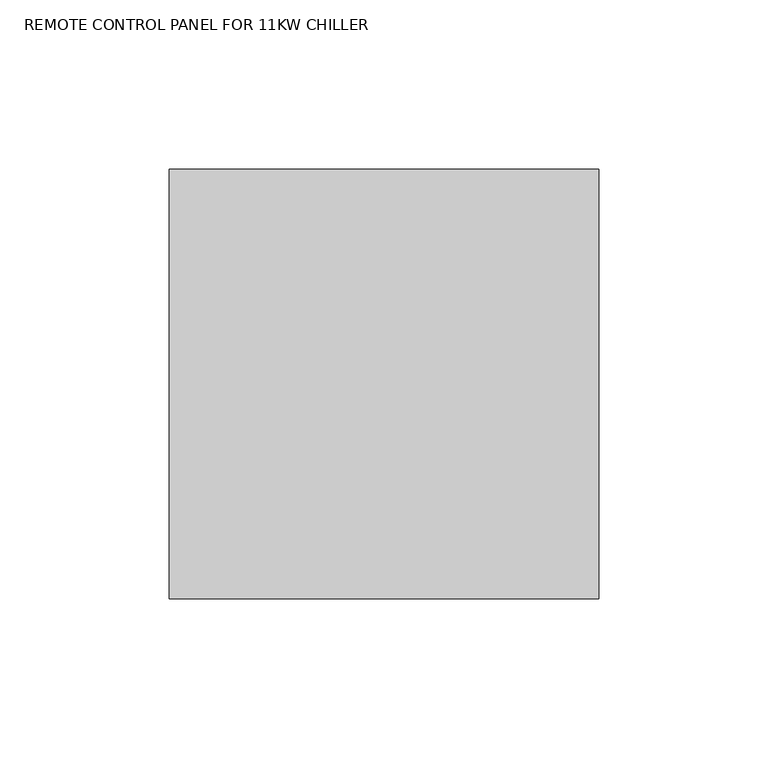
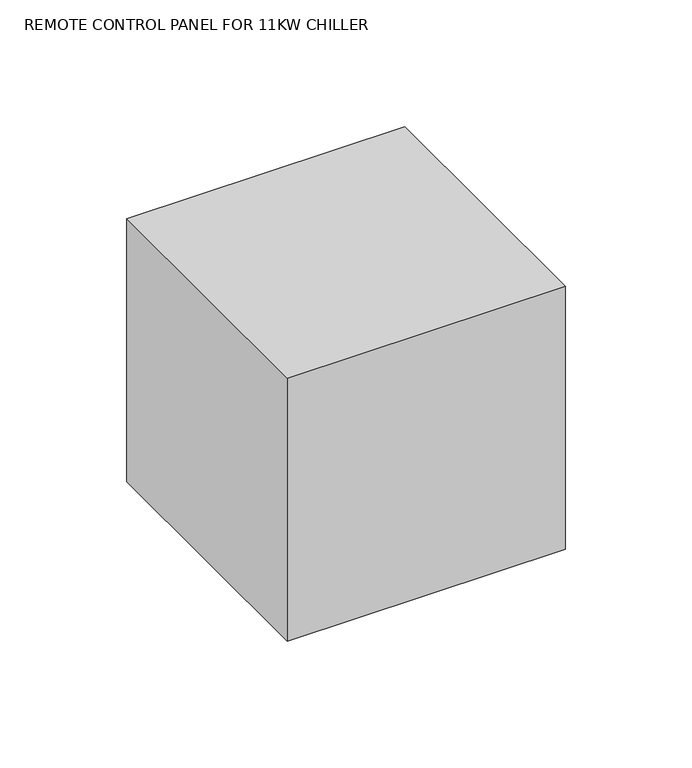
"""IFC4 building model written with IfcOpenShell, lengths in millimetres: proxy geometry, REMOTE CONTROL PANEL FOR 11KW CHILLER."""

import ifcopenshell
import ifcopenshell.guid

model = None  # the IFC model being written
_history = None  # IfcOwnerHistory: only IFC2X3 demands one
_inside = {}  # id of a spatial element -> (the spatial element, [elements in it])
_under = {}  # id of a project, library or spatial element -> (it, [spatial elements below it])
_declared = {}  # id of a project -> (the project, [libraries it declares])
_typed = {}  # id of a type object -> (the type object, [elements of that type])
_made_of = {}  # id of a material, layer set ... -> (it, [elements and type objects made of it])


def new_model(schema):
    """Start an empty IFC model of exactly this schema.

    Asked for "IFC4X3", IfcOpenShell would pick the latest addendum, in which some entities
    have other attributes; the version numbers below select the first issue.
    IFC2X3 requires an IfcOwnerHistory on every rooted entity: one is made here for all.
    """
    global model, _history
    if schema == "IFC4X3":
        model = ifcopenshell.file(schema_version=(4, 3, 0, 0))
    else:
        model = ifcopenshell.file(schema=schema)
    _inside.clear()
    _under.clear()
    _declared.clear()
    _typed.clear()
    _made_of.clear()
    _history = None
    if model.schema == "IFC2X3":
        org = make("IfcOrganization", Name="unknown")
        user = make(
            "IfcPersonAndOrganization",
            ThePerson=make("IfcPerson", FamilyName="unknown"),
            TheOrganization=org,
        )
        app = make(
            "IfcApplication",
            ApplicationDeveloper=org,
            Version="unknown",
            ApplicationFullName="unknown",
            ApplicationIdentifier="unknown",
        )
        _history = make(
            "IfcOwnerHistory",
            OwningUser=user,
            OwningApplication=app,
            ChangeAction="ADDED",
            CreationDate=0,
        )
    return model


def make(cls, **values):
    """One entity of the class cls with the attributes given. An attribute that is None is left unset."""
    return model.create_entity(
        cls, **{name: value for name, value in values.items() if value is not None}
    )


def rooted(cls, **values):
    """An entity with a GlobalId (a new one), such as an element, a storey or a relation."""
    return make(cls, GlobalId=ifcopenshell.guid.new(), OwnerHistory=_history, **values)


def si_unit(unit_type, name, prefix=None):
    """IfcSIUnit, for example si_unit("LENGTHUNIT", "METRE", prefix="MILLI")."""
    return make("IfcSIUnit", UnitType=unit_type, Prefix=prefix, Name=name)


def assignment(units):
    """IfcUnitAssignment: the units of a project."""
    return None if units is None else make("IfcUnitAssignment", Units=units)


def point(xyz):
    """IfcCartesianPoint."""
    return None if xyz is None else make("IfcCartesianPoint", Coordinates=xyz)


def direction(xyz):
    """IfcDirection."""
    return None if xyz is None else make("IfcDirection", DirectionRatios=xyz)


def frame(location, z_axis=None, x_axis=None):
    """IfcAxis2Placement3D, a coordinate frame: its origin and axes. An axis left out is left unset."""
    return make(
        "IfcAxis2Placement3D",
        Location=point(location),
        Axis=direction(z_axis),
        RefDirection=direction(x_axis),
    )


def origin():
    """The frame at (0, 0, 0) with its axes left unset."""
    return frame((0.0, 0.0, 0.0))


def place(relative_to, where):
    """IfcLocalPlacement: puts the frame where relative to a parent placement (None: the world)."""
    return make(
        "IfcLocalPlacement", PlacementRelTo=relative_to, RelativePlacement=where
    )


def context(
    kind, dimensions, precision=None, world=None, true_north=None, identifier=None
):
    """IfcGeometricRepresentationContext, for example the 3D "Model" context."""
    return make(
        "IfcGeometricRepresentationContext",
        ContextIdentifier=identifier,
        ContextType=kind,
        CoordinateSpaceDimension=dimensions,
        Precision=precision,
        WorldCoordinateSystem=world,
        TrueNorth=true_north,
    )


def project(units=None, contexts=None):
    """IfcProject with its units and contexts."""
    return rooted(
        "IfcProject",
        Name="project",
        RepresentationContexts=contexts,
        UnitsInContext=assignment(units),
    )


def spatial(cls, under=None, at=None, **own):
    """A site, building, storey or space (cls), placed at a placement, below another one or the project."""
    s = rooted(cls, ObjectPlacement=at, **own)
    if under is not None:
        _under.setdefault(under.id(), (under, []))[1].append(s)
    return s


def polyline(points):
    """IfcPolyline through the points."""
    return make("IfcPolyline", Points=[point(p) for p in points])


def outline(outer, holes=None, kind="AREA"):
    """IfcArbitraryClosedProfileDef: a profile drawn as a closed curve; with holes, ...WithVoids."""
    if holes is None:
        return make("IfcArbitraryClosedProfileDef", ProfileType=kind, OuterCurve=outer)
    return make(
        "IfcArbitraryProfileDefWithVoids",
        ProfileType=kind,
        OuterCurve=outer,
        InnerCurves=holes,
    )


def extrude(swept, where, along, depth):
    """IfcExtrudedAreaSolid: the profile swept, set in the frame where, extruded along a direction by depth."""
    return make(
        "IfcExtrudedAreaSolid",
        SweptArea=swept,
        Position=where,
        ExtrudedDirection=direction(along),
        Depth=depth,
    )


def shape(context_of_items, identifier, shape_type, items):
    """IfcShapeRepresentation: the items that make up one representation, for example the "Body"."""
    return make(
        "IfcShapeRepresentation",
        ContextOfItems=context_of_items,
        RepresentationIdentifier=identifier,
        RepresentationType=shape_type,
        Items=items,
    )


def source(mapping_origin, context_of_items, identifier, shape_type, items):
    """IfcRepresentationMap: a shape defined once, which mapped items show again and again."""
    return make(
        "IfcRepresentationMap",
        MappingOrigin=mapping_origin,
        MappedRepresentation=shape(context_of_items, identifier, shape_type, items),
    )


def transform(
    local_origin,
    x_axis=None,
    y_axis=None,
    z_axis=None,
    scale=None,
    scale2=None,
    scale3=None,
    uniform=True,
):
    """IfcCartesianTransformationOperator3D, or its non-uniform kind. x_axis, y_axis, z_axis: its Axis1, 2, 3."""
    if uniform:
        return make(
            "IfcCartesianTransformationOperator3D",
            Axis1=direction(x_axis),
            Axis2=direction(y_axis),
            LocalOrigin=point(local_origin),
            Scale=scale,
            Axis3=direction(z_axis),
        )
    return make(
        "IfcCartesianTransformationOperator3DnonUniform",
        Axis1=direction(x_axis),
        Axis2=direction(y_axis),
        LocalOrigin=point(local_origin),
        Scale=scale,
        Axis3=direction(z_axis),
        Scale2=scale2,
        Scale3=scale3,
    )


def mapped(mapping_source, mapping_target):
    """IfcMappedItem: shows the shape of a source again, moved by a transform."""
    return make(
        "IfcMappedItem", MappingSource=mapping_source, MappingTarget=mapping_target
    )


def made_of(thing, what):
    """Note that an element or type object is made of a material, layer set ...; save() writes the relation."""
    if what is not None:
        _made_of.setdefault(what.id(), (what, []))[1].append(thing)
    return thing


def element(
    cls,
    number,
    at=None,
    inside=None,
    cuts=None,
    type_object=None,
    material=None,
    context=None,
    identifier="Body",
    shape_type=None,
    held_by="IfcProductDefinitionShape",
    body=None,
    shapes=None,
    **own,
):
    """One element of the class cls, such as IfcWall. Its Tag is "e" and its number.

    at: its placement. inside: the storey or other place that contains it. cuts: it is an
    opening in that element (IfcRelVoidsElement). A single representation is given by context,
    identifier, shape_type and body (its items); several are given by shapes. held_by: the class
    of the entity that holds the representations. save() writes the other relations.
    """
    e = rooted(cls, Tag="e%d" % number, ObjectPlacement=at, **own)
    if body is not None:
        shapes = [shape(context, identifier, shape_type, body)]
    if shapes is not None:
        e.Representation = make(held_by, Representations=shapes)
    if inside is not None:
        _inside.setdefault(inside.id(), (inside, []))[1].append(e)
    if cuts is not None:
        rooted(
            "IfcRelVoidsElement", RelatingBuildingElement=cuts, RelatedOpeningElement=e
        )
    if type_object is not None:
        _typed.setdefault(type_object.id(), (type_object, []))[1].append(e)
    return made_of(e, material)


def aggregate(whole, parts):
    """IfcRelAggregates: a whole, such as a stair, and the parts it consists of."""
    return rooted("IfcRelAggregates", RelatingObject=whole, RelatedObjects=parts)


def save(model, path):
    """Write the relations noted so far, then the file.

    IfcRelAggregates (storeys below a building ...), IfcRelContainedInSpatialStructure (elements
    in a storey), IfcRelDefinesByType, IfcRelAssociatesMaterial and IfcRelDeclares: one each for
    every whole, place, type object, material and project.
    """
    for whole, parts in _under.values():
        aggregate(whole, parts)
    for where, things in _inside.values():
        rooted(
            "IfcRelContainedInSpatialStructure",
            RelatedElements=things,
            RelatingStructure=where,
        )
    for kind, things in _typed.values():
        rooted("IfcRelDefinesByType", RelatedObjects=things, RelatingType=kind)
    for what, things in _made_of.values():
        rooted("IfcRelAssociatesMaterial", RelatedObjects=things, RelatingMaterial=what)
    for by, libraries in _declared.values():
        rooted("IfcRelDeclares", RelatingContext=by, RelatedDefinitions=libraries)
    model.write(path)


def remote_control_panel_for_11kw_chiller_c1760f84(model_context):
    return source(origin(), model_context, "Body", "SweptSolid", [
        extrude(outline(polyline([(127.0, 0.0), (127.0, -127.0), (0.0, -127.0), (0.0, 0.0), (127.0, 0.0)])), frame((0.0, 0.0, 1003.3), z_axis=(0.0, 0.0, 1.0), x_axis=(1.0, 0.0, 0.0)), (0.0, 0.0, 1.0), 127.0),
    ])


if __name__ == "__main__":
    model = new_model("IFC4")
    model_context = context("Model", 3, world=origin())
    ifc_project = project(units=[si_unit("LENGTHUNIT", "METRE", prefix="MILLI")], contexts=[model_context])
    site = spatial("IfcSite", under=ifc_project)
    building = spatial("IfcBuilding", under=site)
    placement = place(None, origin())
    remote_control_panel_for_11kw_chiller_shape = remote_control_panel_for_11kw_chiller_c1760f84(model_context)
    element("IfcBuildingElementProxy", 1, Name="REMOTE CONTROL PANEL FOR 11KW CHILLER", ObjectType="REMOTE CONTROL PANEL FOR 11KW CHILLER", at=placement, inside=building, context=model_context, shape_type="MappedRepresentation", body=[
        mapped(remote_control_panel_for_11kw_chiller_shape, transform((0.0, 0.0, 0.0), x_axis=(1.0, 0.0, 0.0), y_axis=(0.0, 1.0, 0.0), z_axis=(0.0, 0.0, 1.0))),
    ])
    save(model, "model.ifc")
